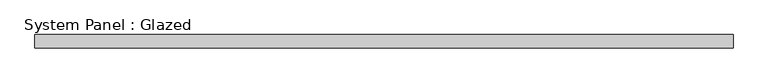
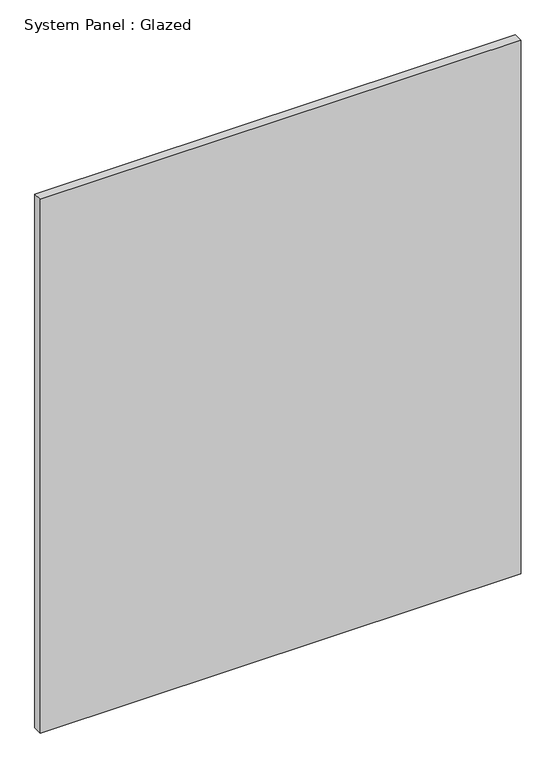
"""IFC4 building model written with IfcOpenShell, lengths in millimetres: plate geometry, System Panel : Glazed."""

from ifc_helpers import new_model, si_unit, origin, origin_with_axes, place, context, project, spatial, polyline, outline, extrude, source, transform, mapped, element, save


def system_panel_glazed_ee3583c0(model_context):
    return source(origin(), model_context, "Body", "SweptSolid", [
        extrude(outline(polyline([(650.0, 24.5), (-650.0, 24.5), (-650.0, 49.5), (650.0, 49.5), (650.0, 24.5)])), origin_with_axes(), (0.0, 0.0, 1.0), 1525.0),
    ])


if __name__ == "__main__":
    model = new_model("IFC4")
    model_context = context("Model", 3, world=origin())
    ifc_project = project(units=[si_unit("LENGTHUNIT", "METRE", prefix="MILLI")], contexts=[model_context])
    site = spatial("IfcSite", under=ifc_project)
    building = spatial("IfcBuilding", under=site)
    placement = place(None, origin())
    system_panel_glazed_shape = system_panel_glazed_ee3583c0(model_context)
    element("IfcPlate", 1, ObjectType="System Panel : Glazed", at=placement, inside=building, context=model_context, shape_type="MappedRepresentation", body=[
        mapped(system_panel_glazed_shape, transform((0.0, 0.0, 0.0), x_axis=(1.0, 0.0, 0.0), y_axis=(0.0, 1.0, 0.0), z_axis=(0.0, 0.0, 1.0))),
    ])
    save(model, "model.ifc")
